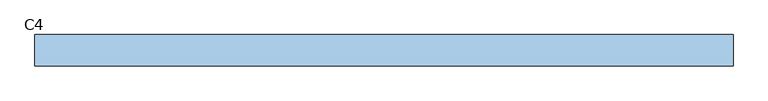
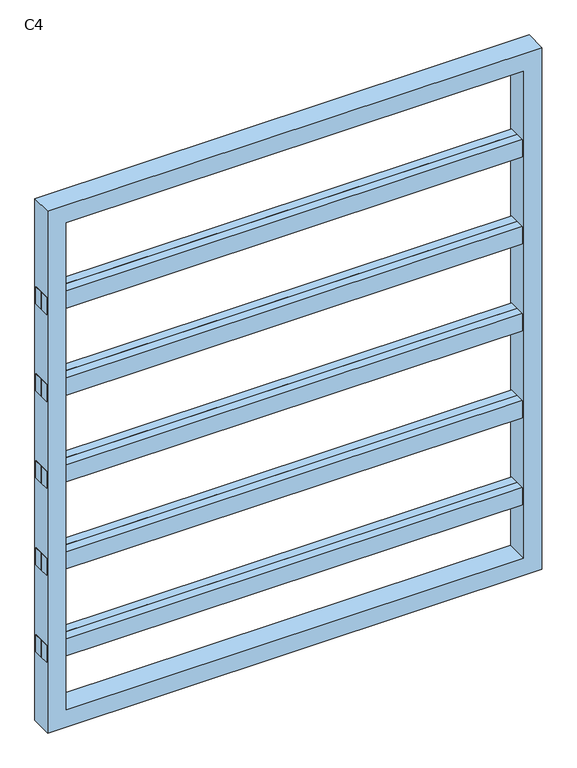
"""IFC4 building model written with IfcOpenShell, lengths in millimetres: window geometry, C4."""

from ifc_helpers import new_model, si_unit, frame, origin, place, context, project, spatial, polyline, outline, extrude, source, transform, mapped, element, save


def c4_46e46a6b(model_context):
    return source(origin(), model_context, "Body", "SweptSolid", [
        extrude(outline(polyline([(-671.65, 0.0), (-671.65, 25.0), (671.65, 25.0), (671.65, 0.0), (-671.65, 0.0)])), frame((0.0, 0.0, 1150.0), z_axis=(0.0, 0.0, 1.0), x_axis=(1.0, 0.0, 0.0)), (0.0, 0.0, 1.0), 50.0),
        extrude(outline(polyline([(671.65, 0.0), (671.65, -25.0), (-671.65, -25.0), (-671.65, 0.0), (671.65, 0.0)])), frame((0.0, 0.0, 1150.0), z_axis=(0.0, 0.0, 1.0), x_axis=(1.0, 0.0, 0.0)), (0.0, 0.0, 1.0), 50.0),
        extrude(outline(polyline([(-671.65, 0.0), (-671.65, 25.0), (671.65, 25.0), (671.65, 0.0), (-671.65, 0.0)])), frame((0.0, 0.0, 900.0), z_axis=(0.0, 0.0, 1.0), x_axis=(1.0, 0.0, 0.0)), (0.0, 0.0, 1.0), 50.0),
        extrude(outline(polyline([(671.65, 0.0), (671.65, -25.0), (-671.65, -25.0), (-671.65, 0.0), (671.65, 0.0)])), frame((0.0, 0.0, 900.0), z_axis=(0.0, 0.0, 1.0), x_axis=(1.0, 0.0, 0.0)), (0.0, 0.0, 1.0), 50.0),
        extrude(outline(polyline([(-671.65, 0.0), (-671.65, 25.0), (671.65, 25.0), (671.65, 0.0), (-671.65, 0.0)])), frame((0.0, 0.0, 650.0), z_axis=(0.0, 0.0, 1.0), x_axis=(1.0, 0.0, 0.0)), (0.0, 0.0, 1.0), 50.0),
        extrude(outline(polyline([(671.65, 0.0), (671.65, -25.0), (-671.65, -25.0), (-671.65, 0.0), (671.65, 0.0)])), frame((0.0, 0.0, 650.0), z_axis=(0.0, 0.0, 1.0), x_axis=(1.0, 0.0, 0.0)), (0.0, 0.0, 1.0), 50.0),
        extrude(outline(polyline([(-671.65, 0.0), (-671.65, 25.0), (671.65, 25.0), (671.65, 0.0), (-671.65, 0.0)])), frame((0.0, 0.0, 1400.0), z_axis=(0.0, 0.0, 1.0), x_axis=(1.0, 0.0, 0.0)), (0.0, 0.0, 1.0), 50.0),
        extrude(outline(polyline([(671.65, 0.0), (671.65, -25.0), (-671.65, -25.0), (-671.65, 0.0), (671.65, 0.0)])), frame((0.0, 0.0, 1400.0), z_axis=(0.0, 0.0, 1.0), x_axis=(1.0, 0.0, 0.0)), (0.0, 0.0, 1.0), 50.0),
        extrude(outline(polyline([(-671.65, 0.0), (-671.65, 25.0), (671.65, 25.0), (671.65, 0.0), (-671.65, 0.0)])), frame((0.0, 0.0, 400.0), z_axis=(0.0, 0.0, 1.0), x_axis=(1.0, 0.0, 0.0)), (0.0, 0.0, 1.0), 50.0),
        extrude(outline(polyline([(671.65, 0.0), (671.65, -25.0), (-671.65, -25.0), (-671.65, 0.0), (671.65, 0.0)])), frame((0.0, 0.0, 400.0), z_axis=(0.0, 0.0, 1.0), x_axis=(1.0, 0.0, 0.0)), (0.0, 0.0, 1.0), 50.0),
        extrude(outline(polyline([(1700.0, -671.65), (200.0, -671.65), (200.0, 671.65), (1700.0, 671.65), (1700.0, -671.65)]), holes=[polyline([(1650.0, 621.65), (250.0, 621.65), (250.0, -621.65), (1650.0, -621.65), (1650.0, 621.65)])]), frame((0.0, -30.0, 0.0), z_axis=(0.0, 1.0, 0.0), x_axis=(0.0, 0.0, 1.0)), (0.0, 0.0, 1.0), 60.0),
    ])


if __name__ == "__main__":
    model = new_model("IFC4")
    model_context = context("Model", 3, world=origin())
    ifc_project = project(units=[si_unit("LENGTHUNIT", "METRE", prefix="MILLI")], contexts=[model_context])
    site = spatial("IfcSite", under=ifc_project)
    building = spatial("IfcBuilding", under=site)
    placement = place(None, origin())
    c4_shape = c4_46e46a6b(model_context)
    element("IfcWindow", 1, ObjectType="C4", at=placement, inside=building, context=model_context, shape_type="MappedRepresentation", body=[
        mapped(c4_shape, transform((0.0, 0.0, 0.0), x_axis=(1.0, 0.0, 0.0), y_axis=(0.0, 1.0, 0.0), z_axis=(0.0, 0.0, 1.0))),
    ])
    save(model, "model.ifc")
